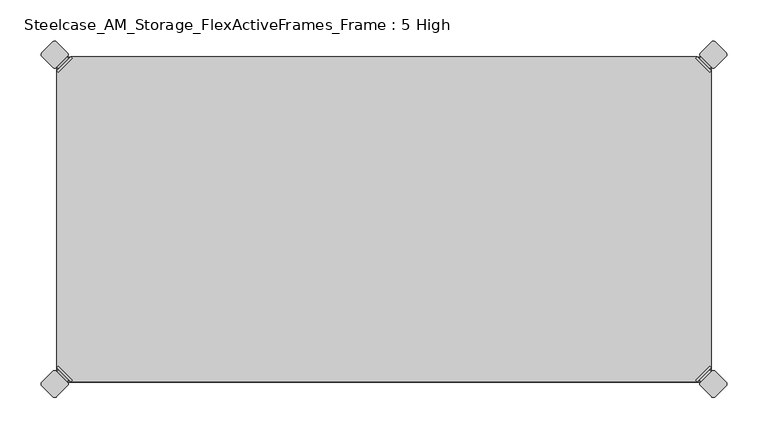
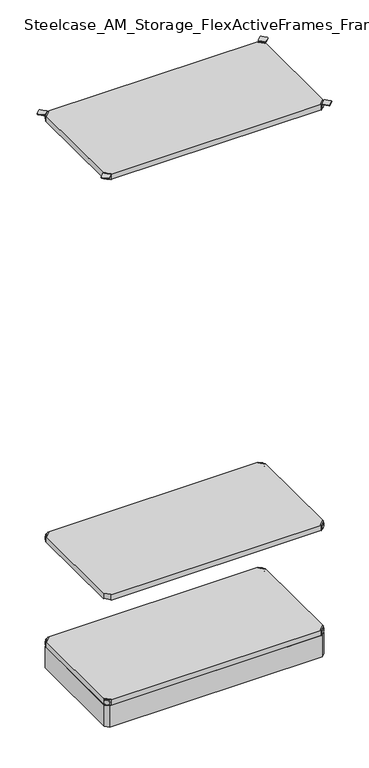
"""IFC4 building model written with IfcOpenShell, lengths in millimetres: furniture geometry, Steelcase_AM_Storage_FlexActiveFrames_Frame : 5 High."""

from ifc_helpers import new_model, si_unit, point, frame, frame_2d, origin, place, context, project, spatial, polyline, circle_curve, trimmed, segment, composite_curve, outline, extrude, source, transform, mapped, element, save
from ifc_brep_helpers import plane_surface, cylinder_surface, advanced_brep


def steelcase_am_storage_flexactiveframes_frame_5_high_b6253aff(model_context):
    return source(origin(), model_context, "Body", "SolidModel", [
        advanced_brep(
        [(797.56, -380.2870969, 520.2936), (795.7639488, -378.4910456, 520.2936), (778.5410456, -395.7139488, 520.2936), (780.3370969, -397.51, 520.2936), (780.3370969, -397.51, 498.9576), (797.56, -380.2870969, 498.9576), (795.2347277, -382.6123691, 510.1336), (782.6623691, -395.1847277, 510.1336), (769.8079478, -352.5350447, 499.9736), (752.5850447, -369.7579478, 499.9736), (778.5410456, -395.7139488, 499.9736), (795.7639488, -378.4910456, 499.9736), (769.8079478, -352.5350447, 498.9576), (752.5850447, -369.7579478, 498.9576), (784.9772487, -397.4996073, 510.1336), (797.5496073, -384.9272487, 510.1336)],
        [
            (0, 1),
            (1, 2),
            (2, 3),
            (3, 0),
            (3, 4),
            (4, 5),
            (5, 0),
            (6, 7, circle_curve(frame((788.9485484, -388.8985484, 510.1336), z_axis=(-0.7071067811865446, 0.7071067811865505, 0.0), x_axis=(0.7071067811865505, 0.7071067811865446, 0.0)), 8.89)),
            (7, 6, circle_curve(frame((788.9485484, -388.8985484, 510.1336), z_axis=(-0.7071067811865446, 0.7071067811865505, 0.0), x_axis=(0.7071067811865505, 0.7071067811865446, 0.0)), 8.89)),
            (8, 9, circle_curve(frame((761.1964963, -361.1464963, 499.9736), z_axis=(0.0, 0.0, 1.0), x_axis=(-1.0, 0.0, 0.0)), 12.1784316)),
            (9, 10),
            (10, 11),
            (11, 8),
            (12, 5),
            (4, 13),
            (13, 12, circle_curve(frame((761.1964963, -361.1464963, 498.9576), z_axis=(0.0, 0.0, -1.0), x_axis=(-1.0, 0.0, 0.0)), 12.1784316)),
            (14, 15, circle_curve(frame((791.263428, -391.213428, 510.1336), z_axis=(0.7071067811865446, -0.7071067811865505, 0.0), x_axis=(0.7071067811865505, 0.7071067811865446, 0.0)), 8.89)),
            (15, 14, circle_curve(frame((791.263428, -391.213428, 510.1336), z_axis=(0.7071067811865446, -0.7071067811865505, 0.0), x_axis=(0.7071067811865505, 0.7071067811865446, 0.0)), 8.89)),
            (14, 7),
            (6, 15),
            (1, 11),
            (10, 2),
            (8, 12),
            (13, 9),
        ],
        [
            plane_surface(frame((819.7579872, -402.485084, 520.2936), z_axis=(0.0, 0.0, 1.0000000000000002), x_axis=(-0.7071067811865436, 0.7071067811865516, 0.0))),
            plane_surface(frame((780.3370969, -397.51, 520.2936), z_axis=(0.7071067811865447, -0.7071067811865503, 0.0), x_axis=(0.0, 0.0, -1.0))),
            plane_surface(frame((749.0180647, -361.1464963, 499.9736), z_axis=(0.0, 0.0, 1.0), x_axis=(0.0, -1.0, 0.0))),
            plane_surface(frame((749.0180647, -361.1464963, 498.9576), z_axis=(0.0, 0.0, -1.0), x_axis=(0.0, 1.0, 0.0))),
            plane_surface(frame((797.5496073, -384.9272487, 510.1336), z_axis=(0.7071067811865446, -0.7071067811865505, 0.0), x_axis=(0.0, 0.0, 1.0))),
            cylinder_surface(frame((788.9485484, -388.8985484, 510.1336), z_axis=(0.7071067811865446, -0.7071067811865505, 0.0), x_axis=(0.7071067811865505, 0.7071067811865446, 0.0)), 8.89),
            plane_surface(frame((795.7639488, -378.4910456, 520.2936), z_axis=(-0.7071067811865447, 0.7071067811865503, 0.0), x_axis=(0.0, 0.0, -1.0))),
            cylinder_surface(frame((761.1964963, -361.1464963, 498.9576), z_axis=(0.0, 0.0, 1.0), x_axis=(-1.0, 0.0, 0.0)), 12.1784316),
            plane_surface(frame((797.56, -380.2870969, 520.2936), z_axis=(0.7071067811865516, 0.7071067811865436, 0.0), x_axis=(0.0, 0.0, -1.0))),
            plane_surface(frame((778.5410456, -395.7139488, 520.2936), z_axis=(-0.7071067811865513, -0.7071067811865437, 0.0), x_axis=(0.0, 0.0, -1.0))),
        ],
        [
            (0, [[1, 2, 3, 4]]),
            (1, [[-4, 5, 6, 7], [8, 9]]),
            (2, [[10, 11, 12, 13]]),
            (3, [[14, -6, 15, 16]]),
            (4, [[17, 18]]),
            (5, [[-17, 19, -8, 20]]),
            (5, [[-18, -20, -9, -19]]),
            (6, [[-2, 21, -12, 22]]),
            (7, [[-10, 23, -16, 24]]),
            (8, [[-1, -7, -14, -23, -13, -21]]),
            (9, [[-3, -22, -11, -24, -15, -5]]),
        ],
    ),
        advanced_brep(
        [(797.56, -19.7629031, 520.2936), (780.3370969, -2.54, 520.2936), (778.5410456, -4.3360512, 520.2936), (795.7639488, -21.5589544, 520.2936), (797.56, -19.7629031, 498.9576), (780.3370969, -2.54, 498.9576), (795.2347277, -17.4376309, 510.1336), (782.6623691, -4.8652723, 510.1336), (769.8079478, -47.5149553, 499.9736), (795.7639488, -21.5589544, 499.9736), (778.5410456, -4.3360512, 499.9736), (752.5850447, -30.2920522, 499.9736), (769.8079478, -47.5149553, 498.9576), (752.5850447, -30.2920522, 498.9576), (784.9772487, -2.5503927, 510.1336), (797.5496073, -15.1227513, 510.1336)],
        [
            (0, 1),
            (1, 2),
            (2, 3),
            (3, 0),
            (0, 4),
            (4, 5),
            (5, 1),
            (6, 7, circle_curve(frame((788.9485484, -11.1514516, 510.1336), z_axis=(-0.7071067811865469, -0.7071067811865481, 0.0), x_axis=(0.7071067811865481, -0.7071067811865469, 0.0)), 8.89)),
            (7, 6, circle_curve(frame((788.9485484, -11.1514516, 510.1336), z_axis=(-0.7071067811865469, -0.7071067811865481, 0.0), x_axis=(0.7071067811865481, -0.7071067811865469, 0.0)), 8.89)),
            (8, 9),
            (9, 10),
            (10, 11),
            (11, 8, circle_curve(frame((761.1964963, -38.9035037, 499.9736), z_axis=(0.0, 0.0, 1.0), x_axis=(-1.0, 0.0, 0.0)), 12.1784316)),
            (12, 13, circle_curve(frame((761.1964963, -38.9035037, 498.9576), z_axis=(0.0, 0.0, -1.0), x_axis=(-1.0, 0.0, 0.0)), 12.1784316)),
            (13, 5),
            (4, 12),
            (14, 15, circle_curve(frame((791.263428, -8.836572, 510.1336), z_axis=(0.7071067811865469, 0.7071067811865481, 0.0), x_axis=(0.7071067811865481, -0.7071067811865469, 0.0)), 8.89)),
            (15, 14, circle_curve(frame((791.263428, -8.836572, 510.1336), z_axis=(0.7071067811865469, 0.7071067811865481, 0.0), x_axis=(0.7071067811865481, -0.7071067811865469, 0.0)), 8.89)),
            (15, 6),
            (7, 14),
            (2, 10),
            (9, 3),
            (11, 13),
            (12, 8),
        ],
        [
            plane_surface(frame((819.7579872, 2.435084, 520.2936), z_axis=(0.0, 0.0, 1.0000000000000002), x_axis=(-0.7071067811865459, -0.7071067811865492, 0.0))),
            plane_surface(frame((780.3370969, -2.54, 520.2936), z_axis=(0.707106781186547, 0.707106781186548, 0.0), x_axis=(0.0, 0.0, -1.0))),
            plane_surface(frame((749.0180647, -38.9035037, 499.9736), z_axis=(0.0, 0.0, 1.0), x_axis=(0.0, 1.0, 0.0))),
            plane_surface(frame((749.0180647, -38.9035037, 498.9576), z_axis=(0.0, 0.0, -1.0), x_axis=(0.0, -1.0, 0.0))),
            plane_surface(frame((797.5496073, -15.1227513, 510.1336), z_axis=(0.7071067811865469, 0.7071067811865481, 0.0), x_axis=(0.0, 0.0, 1.0))),
            cylinder_surface(frame((788.9485484, -11.1514516, 510.1336), z_axis=(0.7071067811865469, 0.7071067811865481, 0.0), x_axis=(0.7071067811865481, -0.7071067811865469, 0.0)), 8.89),
            plane_surface(frame((795.7639488, -21.5589544, 520.2936), z_axis=(-0.707106781186547, -0.707106781186548, 0.0), x_axis=(0.0, 0.0, -1.0))),
            cylinder_surface(frame((761.1964963, -38.9035037, 498.9576), z_axis=(0.0, 0.0, 1.0), x_axis=(-1.0, 0.0, 0.0)), 12.1784316),
            plane_surface(frame((797.56, -19.7629031, 520.2936), z_axis=(0.7071067811865492, -0.7071067811865459, 0.0), x_axis=(0.0, 0.0, -1.0))),
            plane_surface(frame((778.5410456, -4.3360512, 520.2936), z_axis=(-0.707106781186549, 0.707106781186546, 0.0), x_axis=(0.0, 0.0, -1.0))),
        ],
        [
            (0, [[1, 2, 3, 4]]),
            (1, [[5, 6, 7, -1], [8, 9]]),
            (2, [[10, 11, 12, 13]]),
            (3, [[14, 15, -6, 16]]),
            (4, [[17, 18]]),
            (5, [[19, -9, 20, -18]]),
            (5, [[-20, -8, -19, -17]]),
            (6, [[21, -11, 22, -3]]),
            (7, [[23, -14, 24, -13]]),
            (8, [[-22, -10, -24, -16, -5, -4]]),
            (9, [[-7, -15, -23, -12, -21, -2]]),
        ],
    ),
        advanced_brep(
        [(2.54, -19.7629031, 520.2936), (4.3360512, -21.5589544, 520.2936), (21.5589544, -4.3360512, 520.2936), (19.7629031, -2.54, 520.2936), (19.7629031, -2.54, 498.9576), (2.54, -19.7629031, 498.9576), (4.8652723, -17.4376309, 510.1336), (17.4376309, -4.8652723, 510.1336), (30.2920522, -47.5149553, 499.9736), (47.5149553, -30.2920522, 499.9736), (21.5589544, -4.3360512, 499.9736), (4.3360512, -21.5589544, 499.9736), (30.2920522, -47.5149553, 498.9576), (47.5149553, -30.2920522, 498.9576), (15.1227513, -2.5503927, 510.1336), (2.5503927, -15.1227513, 510.1336)],
        [
            (0, 1),
            (1, 2),
            (2, 3),
            (3, 0),
            (3, 4),
            (4, 5),
            (5, 0),
            (6, 7, circle_curve(frame((11.1514516, -11.1514516, 510.1336), z_axis=(0.7071067811865469, -0.7071067811865481, 0.0), x_axis=(-0.7071067811865481, -0.7071067811865469, 0.0)), 8.89)),
            (7, 6, circle_curve(frame((11.1514516, -11.1514516, 510.1336), z_axis=(0.7071067811865469, -0.7071067811865481, 0.0), x_axis=(-0.7071067811865481, -0.7071067811865469, 0.0)), 8.89)),
            (8, 9, circle_curve(frame((38.9035037, -38.9035037, 499.9736), z_axis=(0.0, 0.0, 1.0), x_axis=(1.0, 0.0, 0.0)), 12.1784316)),
            (9, 10),
            (10, 11),
            (11, 8),
            (12, 5),
            (4, 13),
            (13, 12, circle_curve(frame((38.9035037, -38.9035037, 498.9576), z_axis=(0.0, 0.0, -1.0), x_axis=(1.0, 0.0, 0.0)), 12.1784316)),
            (14, 15, circle_curve(frame((8.836572, -8.836572, 510.1336), z_axis=(-0.7071067811865469, 0.7071067811865481, 0.0), x_axis=(-0.7071067811865481, -0.7071067811865469, 0.0)), 8.89)),
            (15, 14, circle_curve(frame((8.836572, -8.836572, 510.1336), z_axis=(-0.7071067811865469, 0.7071067811865481, 0.0), x_axis=(-0.7071067811865481, -0.7071067811865469, 0.0)), 8.89)),
            (14, 7),
            (6, 15),
            (1, 11),
            (10, 2),
            (8, 12),
            (13, 9),
        ],
        [
            plane_surface(frame((-19.6579872, 2.435084, 520.2936), z_axis=(0.0, 0.0, 1.0000000000000002), x_axis=(0.7071067811865459, -0.7071067811865492, 0.0))),
            plane_surface(frame((19.7629031, -2.54, 520.2936), z_axis=(-0.707106781186547, 0.707106781186548, 0.0), x_axis=(0.0, 0.0, -1.0))),
            plane_surface(frame((51.0819353, -38.9035037, 499.9736), z_axis=(0.0, 0.0, 1.0), x_axis=(0.0, 1.0, 0.0))),
            plane_surface(frame((51.0819353, -38.9035037, 498.9576), z_axis=(0.0, 0.0, -1.0), x_axis=(0.0, -1.0, 0.0))),
            plane_surface(frame((2.5503927, -15.1227513, 510.1336), z_axis=(-0.7071067811865469, 0.7071067811865481, 0.0), x_axis=(0.0, 0.0, 1.0))),
            cylinder_surface(frame((11.1514516, -11.1514516, 510.1336), z_axis=(-0.7071067811865469, 0.7071067811865481, 0.0), x_axis=(-0.7071067811865481, -0.7071067811865469, 0.0)), 8.89),
            plane_surface(frame((4.3360512, -21.5589544, 520.2936), z_axis=(0.707106781186547, -0.707106781186548, 0.0), x_axis=(0.0, 0.0, -1.0))),
            cylinder_surface(frame((38.9035037, -38.9035037, 498.9576), z_axis=(0.0, 0.0, 1.0), x_axis=(1.0, 0.0, 0.0)), 12.1784316),
            plane_surface(frame((2.54, -19.7629031, 520.2936), z_axis=(-0.7071067811865492, -0.7071067811865459, 0.0), x_axis=(0.0, 0.0, -1.0))),
            plane_surface(frame((21.5589544, -4.3360512, 520.2936), z_axis=(0.707106781186549, 0.707106781186546, 0.0), x_axis=(0.0, 0.0, -1.0))),
        ],
        [
            (0, [[1, 2, 3, 4]]),
            (1, [[-4, 5, 6, 7], [8, 9]]),
            (2, [[10, 11, 12, 13]]),
            (3, [[14, -6, 15, 16]]),
            (4, [[17, 18]]),
            (5, [[-17, 19, -8, 20]]),
            (5, [[-18, -20, -9, -19]]),
            (6, [[-2, 21, -12, 22]]),
            (7, [[-10, 23, -16, 24]]),
            (8, [[-1, -7, -14, -23, -13, -21]]),
            (9, [[-3, -22, -11, -24, -15, -5]]),
        ],
    ),
        extrude(outline(polyline([(19.7629031, -2.54), (780.3370969, -2.54), (778.5410456, -4.3360512), (795.7639488, -21.5589544), (797.56, -19.7629031), (797.56, -380.2870969), (795.7639488, -378.4910456), (778.5410456, -395.7139488), (780.3370969, -397.51), (19.7629031, -397.51), (21.5589544, -395.7139488), (4.3360512, -378.4910456), (2.54, -380.2870969), (2.54, -19.7629031), (4.3360512, -21.5589544), (21.5589544, -4.3360512), (19.7629031, -2.54)])), frame((0.0, 0.0, 499.9736), z_axis=(0.0, 0.0, 1.0), x_axis=(1.0, 0.0, 0.0)), (0.0, 0.0, 1.0), 20.32),
        advanced_brep(
        [(2.54, -380.2870969, 2127.25), (19.7629031, -397.51, 2127.25), (21.5589544, -395.7139488, 2127.25), (4.3360512, -378.4910456, 2127.25), (2.54, -380.2870969, 2105.914), (19.7629031, -397.51, 2105.914), (4.8652723, -382.6123691, 2117.09), (17.4376309, -395.1847277, 2117.09), (30.2920522, -352.5350447, 2106.93), (4.3360512, -378.4910456, 2106.93), (21.5589544, -395.7139488, 2106.93), (47.5149553, -369.7579478, 2106.93), (30.2920522, -352.5350447, 2105.914), (47.5149553, -369.7579478, 2105.914), (15.1227513, -397.4996073, 2117.09), (2.5503927, -384.9272487, 2117.09)],
        [
            (0, 1),
            (1, 2),
            (2, 3),
            (3, 0),
            (0, 4),
            (4, 5),
            (5, 1),
            (6, 7, circle_curve(frame((11.1514516, -388.8985484, 2117.09), z_axis=(0.7071067811865446, 0.7071067811865505, 0.0), x_axis=(-0.7071067811865505, 0.7071067811865446, 0.0)), 8.89)),
            (7, 6, circle_curve(frame((11.1514516, -388.8985484, 2117.09), z_axis=(0.7071067811865446, 0.7071067811865505, 0.0), x_axis=(-0.7071067811865505, 0.7071067811865446, 0.0)), 8.89)),
            (8, 9),
            (9, 10),
            (10, 11),
            (11, 8, circle_curve(frame((38.9035037, -361.1464963, 2106.93), z_axis=(0.0, 0.0, 1.0), x_axis=(1.0, 0.0, 0.0)), 12.1784316)),
            (12, 13, circle_curve(frame((38.9035037, -361.1464963, 2105.914), z_axis=(0.0, 0.0, -1.0), x_axis=(1.0, 0.0, 0.0)), 12.1784316)),
            (13, 5),
            (4, 12),
            (14, 15, circle_curve(frame((8.836572, -391.213428, 2117.09), z_axis=(-0.7071067811865446, -0.7071067811865505, 0.0), x_axis=(-0.7071067811865505, 0.7071067811865446, 0.0)), 8.89)),
            (15, 14, circle_curve(frame((8.836572, -391.213428, 2117.09), z_axis=(-0.7071067811865446, -0.7071067811865505, 0.0), x_axis=(-0.7071067811865505, 0.7071067811865446, 0.0)), 8.89)),
            (15, 6),
            (7, 14),
            (2, 10),
            (9, 3),
            (11, 13),
            (12, 8),
        ],
        [
            plane_surface(frame((-19.6579872, -402.485084, 2127.25), z_axis=(0.0, 0.0, 1.0000000000000002), x_axis=(0.7071067811865436, 0.7071067811865516, 0.0))),
            plane_surface(frame((19.7629031, -397.51, 2127.25), z_axis=(-0.7071067811865447, -0.7071067811865503, 0.0), x_axis=(0.0, 0.0, -1.0))),
            plane_surface(frame((51.0819353, -361.1464963, 2106.93), z_axis=(0.0, 0.0, 1.0), x_axis=(0.0, -1.0, 0.0))),
            plane_surface(frame((51.0819353, -361.1464963, 2105.914), z_axis=(0.0, 0.0, -1.0), x_axis=(0.0, 1.0, 0.0))),
            plane_surface(frame((2.5503927, -384.9272487, 2117.09), z_axis=(-0.7071067811865446, -0.7071067811865505, 0.0), x_axis=(0.0, 0.0, 1.0))),
            cylinder_surface(frame((11.1514516, -388.8985484, 2117.09), z_axis=(-0.7071067811865446, -0.7071067811865505, 0.0), x_axis=(-0.7071067811865505, 0.7071067811865446, 0.0)), 8.89),
            plane_surface(frame((4.3360512, -378.4910456, 2127.25), z_axis=(0.7071067811865447, 0.7071067811865503, 0.0), x_axis=(0.0, 0.0, -1.0))),
            cylinder_surface(frame((38.9035037, -361.1464963, 2105.914), z_axis=(0.0, 0.0, 1.0), x_axis=(1.0, 0.0, 0.0)), 12.1784316),
            plane_surface(frame((2.54, -380.2870969, 2127.25), z_axis=(-0.7071067811865516, 0.7071067811865436, 0.0), x_axis=(0.0, 0.0, -1.0))),
            plane_surface(frame((21.5589544, -395.7139488, 2127.25), z_axis=(0.7071067811865513, -0.7071067811865437, 0.0), x_axis=(0.0, 0.0, -1.0))),
        ],
        [
            (0, [[1, 2, 3, 4]]),
            (1, [[5, 6, 7, -1], [8, 9]]),
            (2, [[10, 11, 12, 13]]),
            (3, [[14, 15, -6, 16]]),
            (4, [[17, 18]]),
            (5, [[19, -9, 20, -18]]),
            (5, [[-20, -8, -19, -17]]),
            (6, [[21, -11, 22, -3]]),
            (7, [[23, -14, 24, -13]]),
            (8, [[-22, -10, -24, -16, -5, -4]]),
            (9, [[-7, -15, -23, -12, -21, -2]]),
        ],
    ),
        advanced_brep(
        [(797.56, -380.2870969, 2127.25), (795.7639488, -378.4910456, 2127.25), (778.5410456, -395.7139488, 2127.25), (780.3370969, -397.51, 2127.25), (780.3370969, -397.51, 2105.914), (797.56, -380.2870969, 2105.914), (795.2347277, -382.6123691, 2117.09), (782.6623691, -395.1847277, 2117.09), (769.8079478, -352.5350447, 2106.93), (752.5850447, -369.7579478, 2106.93), (778.5410456, -395.7139488, 2106.93), (795.7639488, -378.4910456, 2106.93), (769.8079478, -352.5350447, 2105.914), (752.5850447, -369.7579478, 2105.914), (784.9772487, -397.4996073, 2117.09), (797.5496073, -384.9272487, 2117.09)],
        [
            (0, 1),
            (1, 2),
            (2, 3),
            (3, 0),
            (3, 4),
            (4, 5),
            (5, 0),
            (6, 7, circle_curve(frame((788.9485484, -388.8985484, 2117.09), z_axis=(-0.7071067811865446, 0.7071067811865505, 0.0), x_axis=(0.7071067811865505, 0.7071067811865446, 0.0)), 8.89)),
            (7, 6, circle_curve(frame((788.9485484, -388.8985484, 2117.09), z_axis=(-0.7071067811865446, 0.7071067811865505, 0.0), x_axis=(0.7071067811865505, 0.7071067811865446, 0.0)), 8.89)),
            (8, 9, circle_curve(frame((761.1964963, -361.1464963, 2106.93), z_axis=(0.0, 0.0, 1.0), x_axis=(-1.0, 0.0, 0.0)), 12.1784316)),
            (9, 10),
            (10, 11),
            (11, 8),
            (12, 5),
            (4, 13),
            (13, 12, circle_curve(frame((761.1964963, -361.1464963, 2105.914), z_axis=(0.0, 0.0, -1.0), x_axis=(-1.0, 0.0, 0.0)), 12.1784316)),
            (14, 15, circle_curve(frame((791.263428, -391.213428, 2117.09), z_axis=(0.7071067811865446, -0.7071067811865505, 0.0), x_axis=(0.7071067811865505, 0.7071067811865446, 0.0)), 8.89)),
            (15, 14, circle_curve(frame((791.263428, -391.213428, 2117.09), z_axis=(0.7071067811865446, -0.7071067811865505, 0.0), x_axis=(0.7071067811865505, 0.7071067811865446, 0.0)), 8.89)),
            (14, 7),
            (6, 15),
            (1, 11),
            (10, 2),
            (8, 12),
            (13, 9),
        ],
        [
            plane_surface(frame((819.7579872, -402.485084, 2127.25), z_axis=(0.0, 0.0, 1.0000000000000002), x_axis=(-0.7071067811865436, 0.7071067811865516, 0.0))),
            plane_surface(frame((780.3370969, -397.51, 2127.25), z_axis=(0.7071067811865447, -0.7071067811865503, 0.0), x_axis=(0.0, 0.0, -1.0))),
            plane_surface(frame((749.0180647, -361.1464963, 2106.93), z_axis=(0.0, 0.0, 1.0), x_axis=(0.0, -1.0, 0.0))),
            plane_surface(frame((749.0180647, -361.1464963, 2105.914), z_axis=(0.0, 0.0, -1.0), x_axis=(0.0, 1.0, 0.0))),
            plane_surface(frame((797.5496073, -384.9272487, 2117.09), z_axis=(0.7071067811865446, -0.7071067811865505, 0.0), x_axis=(0.0, 0.0, 1.0))),
            cylinder_surface(frame((788.9485484, -388.8985484, 2117.09), z_axis=(0.7071067811865446, -0.7071067811865505, 0.0), x_axis=(0.7071067811865505, 0.7071067811865446, 0.0)), 8.89),
            plane_surface(frame((795.7639488, -378.4910456, 2127.25), z_axis=(-0.7071067811865447, 0.7071067811865503, 0.0), x_axis=(0.0, 0.0, -1.0))),
            cylinder_surface(frame((761.1964963, -361.1464963, 2105.914), z_axis=(0.0, 0.0, 1.0), x_axis=(-1.0, 0.0, 0.0)), 12.1784316),
            plane_surface(frame((797.56, -380.2870969, 2127.25), z_axis=(0.7071067811865516, 0.7071067811865436, 0.0), x_axis=(0.0, 0.0, -1.0))),
            plane_surface(frame((778.5410456, -395.7139488, 2127.25), z_axis=(-0.7071067811865513, -0.7071067811865437, 0.0), x_axis=(0.0, 0.0, -1.0))),
        ],
        [
            (0, [[1, 2, 3, 4]]),
            (1, [[-4, 5, 6, 7], [8, 9]]),
            (2, [[10, 11, 12, 13]]),
            (3, [[14, -6, 15, 16]]),
            (4, [[17, 18]]),
            (5, [[-17, 19, -8, 20]]),
            (5, [[-18, -20, -9, -19]]),
            (6, [[-2, 21, -12, 22]]),
            (7, [[-10, 23, -16, 24]]),
            (8, [[-1, -7, -14, -23, -13, -21]]),
            (9, [[-3, -22, -11, -24, -15, -5]]),
        ],
    ),
        advanced_brep(
        [(797.56, -19.7629031, 2127.25), (780.3370969, -2.54, 2127.25), (778.5410456, -4.3360512, 2127.25), (795.7639488, -21.5589544, 2127.25), (797.56, -19.7629031, 2105.914), (780.3370969, -2.54, 2105.914), (795.2347277, -17.4376309, 2117.09), (782.6623691, -4.8652723, 2117.09), (769.8079478, -47.5149553, 2106.93), (795.7639488, -21.5589544, 2106.93), (778.5410456, -4.3360512, 2106.93), (752.5850447, -30.2920522, 2106.93), (769.8079478, -47.5149553, 2105.914), (752.5850447, -30.2920522, 2105.914), (784.9772487, -2.5503927, 2117.09), (797.5496073, -15.1227513, 2117.09)],
        [
            (0, 1),
            (1, 2),
            (2, 3),
            (3, 0),
            (0, 4),
            (4, 5),
            (5, 1),
            (6, 7, circle_curve(frame((788.9485484, -11.1514516, 2117.09), z_axis=(-0.7071067811865469, -0.7071067811865481, 0.0), x_axis=(0.7071067811865481, -0.7071067811865469, 0.0)), 8.89)),
            (7, 6, circle_curve(frame((788.9485484, -11.1514516, 2117.09), z_axis=(-0.7071067811865469, -0.7071067811865481, 0.0), x_axis=(0.7071067811865481, -0.7071067811865469, 0.0)), 8.89)),
            (8, 9),
            (9, 10),
            (10, 11),
            (11, 8, circle_curve(frame((761.1964963, -38.9035037, 2106.93), z_axis=(0.0, 0.0, 1.0), x_axis=(-1.0, 0.0, 0.0)), 12.1784316)),
            (12, 13, circle_curve(frame((761.1964963, -38.9035037, 2105.914), z_axis=(0.0, 0.0, -1.0), x_axis=(-1.0, 0.0, 0.0)), 12.1784316)),
            (13, 5),
            (4, 12),
            (14, 15, circle_curve(frame((791.263428, -8.836572, 2117.09), z_axis=(0.7071067811865469, 0.7071067811865481, 0.0), x_axis=(0.7071067811865481, -0.7071067811865469, 0.0)), 8.89)),
            (15, 14, circle_curve(frame((791.263428, -8.836572, 2117.09), z_axis=(0.7071067811865469, 0.7071067811865481, 0.0), x_axis=(0.7071067811865481, -0.7071067811865469, 0.0)), 8.89)),
            (15, 6),
            (7, 14),
            (2, 10),
            (9, 3),
            (11, 13),
            (12, 8),
        ],
        [
            plane_surface(frame((819.7579872, 2.435084, 2127.25), z_axis=(0.0, 0.0, 1.0000000000000002), x_axis=(-0.7071067811865459, -0.7071067811865492, 0.0))),
            plane_surface(frame((780.3370969, -2.54, 2127.25), z_axis=(0.707106781186547, 0.707106781186548, 0.0), x_axis=(0.0, 0.0, -1.0))),
            plane_surface(frame((749.0180647, -38.9035037, 2106.93), z_axis=(0.0, 0.0, 1.0), x_axis=(0.0, 1.0, 0.0))),
            plane_surface(frame((749.0180647, -38.9035037, 2105.914), z_axis=(0.0, 0.0, -1.0), x_axis=(0.0, -1.0, 0.0))),
            plane_surface(frame((797.5496073, -15.1227513, 2117.09), z_axis=(0.7071067811865469, 0.7071067811865481, 0.0), x_axis=(0.0, 0.0, 1.0))),
            cylinder_surface(frame((788.9485484, -11.1514516, 2117.09), z_axis=(0.7071067811865469, 0.7071067811865481, 0.0), x_axis=(0.7071067811865481, -0.7071067811865469, 0.0)), 8.89),
            plane_surface(frame((795.7639488, -21.5589544, 2127.25), z_axis=(-0.707106781186547, -0.707106781186548, 0.0), x_axis=(0.0, 0.0, -1.0))),
            cylinder_surface(frame((761.1964963, -38.9035037, 2105.914), z_axis=(0.0, 0.0, 1.0), x_axis=(-1.0, 0.0, 0.0)), 12.1784316),
            plane_surface(frame((797.56, -19.7629031, 2127.25), z_axis=(0.7071067811865492, -0.7071067811865459, 0.0), x_axis=(0.0, 0.0, -1.0))),
            plane_surface(frame((778.5410456, -4.3360512, 2127.25), z_axis=(-0.707106781186549, 0.707106781186546, 0.0), x_axis=(0.0, 0.0, -1.0))),
        ],
        [
            (0, [[1, 2, 3, 4]]),
            (1, [[5, 6, 7, -1], [8, 9]]),
            (2, [[10, 11, 12, 13]]),
            (3, [[14, 15, -6, 16]]),
            (4, [[17, 18]]),
            (5, [[19, -9, 20, -18]]),
            (5, [[-20, -8, -19, -17]]),
            (6, [[21, -11, 22, -3]]),
            (7, [[23, -14, 24, -13]]),
            (8, [[-22, -10, -24, -16, -5, -4]]),
            (9, [[-7, -15, -23, -12, -21, -2]]),
        ],
    ),
        advanced_brep(
        [(2.54, -19.7629031, 2127.25), (4.3360512, -21.5589544, 2127.25), (21.5589544, -4.3360512, 2127.25), (19.7629031, -2.54, 2127.25), (19.7629031, -2.54, 2105.914), (2.54, -19.7629031, 2105.914), (4.8652723, -17.4376309, 2117.09), (17.4376309, -4.8652723, 2117.09), (30.2920522, -47.5149553, 2106.93), (47.5149553, -30.2920522, 2106.93), (21.5589544, -4.3360512, 2106.93), (4.3360512, -21.5589544, 2106.93), (30.2920522, -47.5149553, 2105.914), (47.5149553, -30.2920522, 2105.914), (15.1227513, -2.5503927, 2117.09), (2.5503927, -15.1227513, 2117.09)],
        [
            (0, 1),
            (1, 2),
            (2, 3),
            (3, 0),
            (3, 4),
            (4, 5),
            (5, 0),
            (6, 7, circle_curve(frame((11.1514516, -11.1514516, 2117.09), z_axis=(0.7071067811865469, -0.7071067811865481, 0.0), x_axis=(-0.7071067811865481, -0.7071067811865469, 0.0)), 8.89)),
            (7, 6, circle_curve(frame((11.1514516, -11.1514516, 2117.09), z_axis=(0.7071067811865469, -0.7071067811865481, 0.0), x_axis=(-0.7071067811865481, -0.7071067811865469, 0.0)), 8.89)),
            (8, 9, circle_curve(frame((38.9035037, -38.9035037, 2106.93), z_axis=(0.0, 0.0, 1.0), x_axis=(1.0, 0.0, 0.0)), 12.1784316)),
            (9, 10),
            (10, 11),
            (11, 8),
            (12, 5),
            (4, 13),
            (13, 12, circle_curve(frame((38.9035037, -38.9035037, 2105.914), z_axis=(0.0, 0.0, -1.0), x_axis=(1.0, 0.0, 0.0)), 12.1784316)),
            (14, 15, circle_curve(frame((8.836572, -8.836572, 2117.09), z_axis=(-0.7071067811865469, 0.7071067811865481, 0.0), x_axis=(-0.7071067811865481, -0.7071067811865469, 0.0)), 8.89)),
            (15, 14, circle_curve(frame((8.836572, -8.836572, 2117.09), z_axis=(-0.7071067811865469, 0.7071067811865481, 0.0), x_axis=(-0.7071067811865481, -0.7071067811865469, 0.0)), 8.89)),
            (14, 7),
            (6, 15),
            (1, 11),
            (10, 2),
            (8, 12),
            (13, 9),
        ],
        [
            plane_surface(frame((-19.6579872, 2.435084, 2127.25), z_axis=(0.0, 0.0, 1.0000000000000002), x_axis=(0.7071067811865459, -0.7071067811865492, 0.0))),
            plane_surface(frame((19.7629031, -2.54, 2127.25), z_axis=(-0.707106781186547, 0.707106781186548, 0.0), x_axis=(0.0, 0.0, -1.0))),
            plane_surface(frame((51.0819353, -38.9035037, 2106.93), z_axis=(0.0, 0.0, 1.0), x_axis=(0.0, 1.0, 0.0))),
            plane_surface(frame((51.0819353, -38.9035037, 2105.914), z_axis=(0.0, 0.0, -1.0), x_axis=(0.0, -1.0, 0.0))),
            plane_surface(frame((2.5503927, -15.1227513, 2117.09), z_axis=(-0.7071067811865469, 0.7071067811865481, 0.0), x_axis=(0.0, 0.0, 1.0))),
            cylinder_surface(frame((11.1514516, -11.1514516, 2117.09), z_axis=(-0.7071067811865469, 0.7071067811865481, 0.0), x_axis=(-0.7071067811865481, -0.7071067811865469, 0.0)), 8.89),
            plane_surface(frame((4.3360512, -21.5589544, 2127.25), z_axis=(0.707106781186547, -0.707106781186548, 0.0), x_axis=(0.0, 0.0, -1.0))),
            cylinder_surface(frame((38.9035037, -38.9035037, 2105.914), z_axis=(0.0, 0.0, 1.0), x_axis=(1.0, 0.0, 0.0)), 12.1784316),
            plane_surface(frame((2.54, -19.7629031, 2127.25), z_axis=(-0.7071067811865492, -0.7071067811865459, 0.0), x_axis=(0.0, 0.0, -1.0))),
            plane_surface(frame((21.5589544, -4.3360512, 2127.25), z_axis=(0.707106781186549, 0.707106781186546, 0.0), x_axis=(0.0, 0.0, -1.0))),
        ],
        [
            (0, [[1, 2, 3, 4]]),
            (1, [[-4, 5, 6, 7], [8, 9]]),
            (2, [[10, 11, 12, 13]]),
            (3, [[14, -6, 15, 16]]),
            (4, [[17, 18]]),
            (5, [[-17, 19, -8, 20]]),
            (5, [[-18, -20, -9, -19]]),
            (6, [[-2, 21, -12, 22]]),
            (7, [[-10, 23, -16, 24]]),
            (8, [[-1, -7, -14, -23, -13, -21]]),
            (9, [[-3, -22, -11, -24, -15, -5]]),
        ],
    ),
        extrude(outline(polyline([(19.7629031, -2.54), (780.3370969, -2.54), (778.5410456, -4.3360512), (795.7639488, -21.5589544), (797.56, -19.7629031), (797.56, -380.2870969), (795.7639488, -378.4910456), (778.5410456, -395.7139488), (780.3370969, -397.51), (19.7629031, -397.51), (21.5589544, -395.7139488), (4.3360512, -378.4910456), (2.54, -380.2870969), (2.54, -19.7629031), (4.3360512, -21.5589544), (21.5589544, -4.3360512), (19.7629031, -2.54)])), frame((0.0, 0.0, 2106.93), z_axis=(0.0, 0.0, 1.0), x_axis=(1.0, 0.0, 0.0)), (0.0, 0.0, 1.0), 20.32),
        advanced_brep(
        [(2.54, -380.2870969, 118.9736), (19.7629031, -397.51, 118.9736), (21.5589544, -395.7139488, 118.9736), (4.3360512, -378.4910456, 118.9736), (2.54, -380.2870969, 97.6376), (19.7629031, -397.51, 97.6376), (4.8652723, -382.6123691, 108.8136), (17.4376309, -395.1847277, 108.8136), (30.2920522, -352.5350447, 98.6536), (4.3360512, -378.4910456, 98.6536), (21.5589544, -395.7139488, 98.6536), (47.5149553, -369.7579478, 98.6536), (30.2920522, -352.5350447, 97.6376), (47.5149553, -369.7579478, 97.6376), (15.1227513, -397.4996073, 108.8136), (2.5503927, -384.9272487, 108.8136)],
        [
            (0, 1),
            (1, 2),
            (2, 3),
            (3, 0),
            (0, 4),
            (4, 5),
            (5, 1),
            (6, 7, circle_curve(frame((11.1514516, -388.8985484, 108.8136), z_axis=(0.7071067811865446, 0.7071067811865505, 0.0), x_axis=(-0.7071067811865505, 0.7071067811865446, 0.0)), 8.89)),
            (7, 6, circle_curve(frame((11.1514516, -388.8985484, 108.8136), z_axis=(0.7071067811865446, 0.7071067811865505, 0.0), x_axis=(-0.7071067811865505, 0.7071067811865446, 0.0)), 8.89)),
            (8, 9),
            (9, 10),
            (10, 11),
            (11, 8, circle_curve(frame((38.9035037, -361.1464963, 98.6536), z_axis=(0.0, 0.0, 1.0), x_axis=(1.0, 0.0, 0.0)), 12.1784316)),
            (12, 13, circle_curve(frame((38.9035037, -361.1464963, 97.6376), z_axis=(0.0, 0.0, -1.0), x_axis=(1.0, 0.0, 0.0)), 12.1784316)),
            (13, 5),
            (4, 12),
            (14, 15, circle_curve(frame((8.836572, -391.213428, 108.8136), z_axis=(-0.7071067811865446, -0.7071067811865505, 0.0), x_axis=(-0.7071067811865505, 0.7071067811865446, 0.0)), 8.89)),
            (15, 14, circle_curve(frame((8.836572, -391.213428, 108.8136), z_axis=(-0.7071067811865446, -0.7071067811865505, 0.0), x_axis=(-0.7071067811865505, 0.7071067811865446, 0.0)), 8.89)),
            (15, 6),
            (7, 14),
            (2, 10),
            (9, 3),
            (11, 13),
            (12, 8),
        ],
        [
            plane_surface(frame((-19.6579872, -402.485084, 118.9736), z_axis=(0.0, 0.0, 1.0000000000000002), x_axis=(0.7071067811865436, 0.7071067811865516, 0.0))),
            plane_surface(frame((19.7629031, -397.51, 118.9736), z_axis=(-0.7071067811865447, -0.7071067811865503, 0.0), x_axis=(0.0, 0.0, -1.0))),
            plane_surface(frame((51.0819353, -361.1464963, 98.6536), z_axis=(0.0, 0.0, 1.0), x_axis=(0.0, -1.0, 0.0))),
            plane_surface(frame((51.0819353, -361.1464963, 97.6376), z_axis=(0.0, 0.0, -1.0), x_axis=(0.0, 1.0, 0.0))),
            plane_surface(frame((2.5503927, -384.9272487, 108.8136), z_axis=(-0.7071067811865446, -0.7071067811865505, 0.0), x_axis=(0.0, 0.0, 1.0))),
            cylinder_surface(frame((11.1514516, -388.8985484, 108.8136), z_axis=(-0.7071067811865446, -0.7071067811865505, 0.0), x_axis=(-0.7071067811865505, 0.7071067811865446, 0.0)), 8.89),
            plane_surface(frame((4.3360512, -378.4910456, 118.9736), z_axis=(0.7071067811865447, 0.7071067811865503, 0.0), x_axis=(0.0, 0.0, -1.0))),
            cylinder_surface(frame((38.9035037, -361.1464963, 97.6376), z_axis=(0.0, 0.0, 1.0), x_axis=(1.0, 0.0, 0.0)), 12.1784316),
            plane_surface(frame((2.54, -380.2870969, 118.9736), z_axis=(-0.7071067811865516, 0.7071067811865436, 0.0), x_axis=(0.0, 0.0, -1.0))),
            plane_surface(frame((21.5589544, -395.7139488, 118.9736), z_axis=(0.7071067811865513, -0.7071067811865437, 0.0), x_axis=(0.0, 0.0, -1.0))),
        ],
        [
            (0, [[1, 2, 3, 4]]),
            (1, [[5, 6, 7, -1], [8, 9]]),
            (2, [[10, 11, 12, 13]]),
            (3, [[14, 15, -6, 16]]),
            (4, [[17, 18]]),
            (5, [[19, -9, 20, -18]]),
            (5, [[-20, -8, -19, -17]]),
            (6, [[21, -11, 22, -3]]),
            (7, [[23, -14, 24, -13]]),
            (8, [[-22, -10, -24, -16, -5, -4]]),
            (9, [[-7, -15, -23, -12, -21, -2]]),
        ],
    ),
        advanced_brep(
        [(797.56, -380.2870969, 118.9736), (795.7639488, -378.4910456, 118.9736), (778.5410456, -395.7139488, 118.9736), (780.3370969, -397.51, 118.9736), (780.3370969, -397.51, 97.6376), (797.56, -380.2870969, 97.6376), (795.2347277, -382.6123691, 108.8136), (782.6623691, -395.1847277, 108.8136), (769.8079478, -352.5350447, 98.6536), (752.5850447, -369.7579478, 98.6536), (778.5410456, -395.7139488, 98.6536), (795.7639488, -378.4910456, 98.6536), (769.8079478, -352.5350447, 97.6376), (752.5850447, -369.7579478, 97.6376), (784.9772487, -397.4996073, 108.8136), (797.5496073, -384.9272487, 108.8136)],
        [
            (0, 1),
            (1, 2),
            (2, 3),
            (3, 0),
            (3, 4),
            (4, 5),
            (5, 0),
            (6, 7, circle_curve(frame((788.9485484, -388.8985484, 108.8136), z_axis=(-0.7071067811865446, 0.7071067811865505, 0.0), x_axis=(0.7071067811865505, 0.7071067811865446, 0.0)), 8.89)),
            (7, 6, circle_curve(frame((788.9485484, -388.8985484, 108.8136), z_axis=(-0.7071067811865446, 0.7071067811865505, 0.0), x_axis=(0.7071067811865505, 0.7071067811865446, 0.0)), 8.89)),
            (8, 9, circle_curve(frame((761.1964963, -361.1464963, 98.6536), z_axis=(0.0, 0.0, 1.0), x_axis=(-1.0, 0.0, 0.0)), 12.1784316)),
            (9, 10),
            (10, 11),
            (11, 8),
            (12, 5),
            (4, 13),
            (13, 12, circle_curve(frame((761.1964963, -361.1464963, 97.6376), z_axis=(0.0, 0.0, -1.0), x_axis=(-1.0, 0.0, 0.0)), 12.1784316)),
            (14, 15, circle_curve(frame((791.263428, -391.213428, 108.8136), z_axis=(0.7071067811865446, -0.7071067811865505, 0.0), x_axis=(0.7071067811865505, 0.7071067811865446, 0.0)), 8.89)),
            (15, 14, circle_curve(frame((791.263428, -391.213428, 108.8136), z_axis=(0.7071067811865446, -0.7071067811865505, 0.0), x_axis=(0.7071067811865505, 0.7071067811865446, 0.0)), 8.89)),
            (14, 7),
            (6, 15),
            (1, 11),
            (10, 2),
            (8, 12),
            (13, 9),
        ],
        [
            plane_surface(frame((819.7579872, -402.485084, 118.9736), z_axis=(0.0, 0.0, 1.0000000000000002), x_axis=(-0.7071067811865436, 0.7071067811865516, 0.0))),
            plane_surface(frame((780.3370969, -397.51, 118.9736), z_axis=(0.7071067811865447, -0.7071067811865503, 0.0), x_axis=(0.0, 0.0, -1.0))),
            plane_surface(frame((749.0180647, -361.1464963, 98.6536), z_axis=(0.0, 0.0, 1.0), x_axis=(0.0, -1.0, 0.0))),
            plane_surface(frame((749.0180647, -361.1464963, 97.6376), z_axis=(0.0, 0.0, -1.0), x_axis=(0.0, 1.0, 0.0))),
            plane_surface(frame((797.5496073, -384.9272487, 108.8136), z_axis=(0.7071067811865446, -0.7071067811865505, 0.0), x_axis=(0.0, 0.0, 1.0))),
            cylinder_surface(frame((788.9485484, -388.8985484, 108.8136), z_axis=(0.7071067811865446, -0.7071067811865505, 0.0), x_axis=(0.7071067811865505, 0.7071067811865446, 0.0)), 8.89),
            plane_surface(frame((795.7639488, -378.4910456, 118.9736), z_axis=(-0.7071067811865447, 0.7071067811865503, 0.0), x_axis=(0.0, 0.0, -1.0))),
            cylinder_surface(frame((761.1964963, -361.1464963, 97.6376), z_axis=(0.0, 0.0, 1.0), x_axis=(-1.0, 0.0, 0.0)), 12.1784316),
            plane_surface(frame((797.56, -380.2870969, 118.9736), z_axis=(0.7071067811865516, 0.7071067811865436, 0.0), x_axis=(0.0, 0.0, -1.0))),
            plane_surface(frame((778.5410456, -395.7139488, 118.9736), z_axis=(-0.7071067811865513, -0.7071067811865437, 0.0), x_axis=(0.0, 0.0, -1.0))),
        ],
        [
            (0, [[1, 2, 3, 4]]),
            (1, [[-4, 5, 6, 7], [8, 9]]),
            (2, [[10, 11, 12, 13]]),
            (3, [[14, -6, 15, 16]]),
            (4, [[17, 18]]),
            (5, [[-17, 19, -8, 20]]),
            (5, [[-18, -20, -9, -19]]),
            (6, [[-2, 21, -12, 22]]),
            (7, [[-10, 23, -16, 24]]),
            (8, [[-1, -7, -14, -23, -13, -21]]),
            (9, [[-3, -22, -11, -24, -15, -5]]),
        ],
    ),
        advanced_brep(
        [(797.56, -19.7629031, 118.9736), (780.3370969, -2.54, 118.9736), (778.5410456, -4.3360512, 118.9736), (795.7639488, -21.5589544, 118.9736), (797.56, -19.7629031, 97.6376), (780.3370969, -2.54, 97.6376), (795.2347277, -17.4376309, 108.8136), (782.6623691, -4.8652723, 108.8136), (769.8079478, -47.5149553, 98.6536), (795.7639488, -21.5589544, 98.6536), (778.5410456, -4.3360512, 98.6536), (752.5850447, -30.2920522, 98.6536), (769.8079478, -47.5149553, 97.6376), (752.5850447, -30.2920522, 97.6376), (784.9772487, -2.5503927, 108.8136), (797.5496073, -15.1227513, 108.8136)],
        [
            (0, 1),
            (1, 2),
            (2, 3),
            (3, 0),
            (0, 4),
            (4, 5),
            (5, 1),
            (6, 7, circle_curve(frame((788.9485484, -11.1514516, 108.8136), z_axis=(-0.7071067811865469, -0.7071067811865481, 0.0), x_axis=(0.7071067811865481, -0.7071067811865469, 0.0)), 8.89)),
            (7, 6, circle_curve(frame((788.9485484, -11.1514516, 108.8136), z_axis=(-0.7071067811865469, -0.7071067811865481, 0.0), x_axis=(0.7071067811865481, -0.7071067811865469, 0.0)), 8.89)),
            (8, 9),
            (9, 10),
            (10, 11),
            (11, 8, circle_curve(frame((761.1964963, -38.9035037, 98.6536), z_axis=(0.0, 0.0, 1.0), x_axis=(-1.0, 0.0, 0.0)), 12.1784316)),
            (12, 13, circle_curve(frame((761.1964963, -38.9035037, 97.6376), z_axis=(0.0, 0.0, -1.0), x_axis=(-1.0, 0.0, 0.0)), 12.1784316)),
            (13, 5),
            (4, 12),
            (14, 15, circle_curve(frame((791.263428, -8.836572, 108.8136), z_axis=(0.7071067811865469, 0.7071067811865481, 0.0), x_axis=(0.7071067811865481, -0.7071067811865469, 0.0)), 8.89)),
            (15, 14, circle_curve(frame((791.263428, -8.836572, 108.8136), z_axis=(0.7071067811865469, 0.7071067811865481, 0.0), x_axis=(0.7071067811865481, -0.7071067811865469, 0.0)), 8.89)),
            (15, 6),
            (7, 14),
            (2, 10),
            (9, 3),
            (11, 13),
            (12, 8),
        ],
        [
            plane_surface(frame((819.7579872, 2.435084, 118.9736), z_axis=(0.0, 0.0, 1.0000000000000002), x_axis=(-0.7071067811865459, -0.7071067811865492, 0.0))),
            plane_surface(frame((780.3370969, -2.54, 118.9736), z_axis=(0.707106781186547, 0.707106781186548, 0.0), x_axis=(0.0, 0.0, -1.0))),
            plane_surface(frame((749.0180647, -38.9035037, 98.6536), z_axis=(0.0, 0.0, 1.0), x_axis=(0.0, 1.0, 0.0))),
            plane_surface(frame((749.0180647, -38.9035037, 97.6376), z_axis=(0.0, 0.0, -1.0), x_axis=(0.0, -1.0, 0.0))),
            plane_surface(frame((797.5496073, -15.1227513, 108.8136), z_axis=(0.7071067811865469, 0.7071067811865481, 0.0), x_axis=(0.0, 0.0, 1.0))),
            cylinder_surface(frame((788.9485484, -11.1514516, 108.8136), z_axis=(0.7071067811865469, 0.7071067811865481, 0.0), x_axis=(0.7071067811865481, -0.7071067811865469, 0.0)), 8.89),
            plane_surface(frame((795.7639488, -21.5589544, 118.9736), z_axis=(-0.707106781186547, -0.707106781186548, 0.0), x_axis=(0.0, 0.0, -1.0))),
            cylinder_surface(frame((761.1964963, -38.9035037, 97.6376), z_axis=(0.0, 0.0, 1.0), x_axis=(-1.0, 0.0, 0.0)), 12.1784316),
            plane_surface(frame((797.56, -19.7629031, 118.9736), z_axis=(0.7071067811865492, -0.7071067811865459, 0.0), x_axis=(0.0, 0.0, -1.0))),
            plane_surface(frame((778.5410456, -4.3360512, 118.9736), z_axis=(-0.707106781186549, 0.707106781186546, 0.0), x_axis=(0.0, 0.0, -1.0))),
        ],
        [
            (0, [[1, 2, 3, 4]]),
            (1, [[5, 6, 7, -1], [8, 9]]),
            (2, [[10, 11, 12, 13]]),
            (3, [[14, 15, -6, 16]]),
            (4, [[17, 18]]),
            (5, [[19, -9, 20, -18]]),
            (5, [[-20, -8, -19, -17]]),
            (6, [[21, -11, 22, -3]]),
            (7, [[23, -14, 24, -13]]),
            (8, [[-22, -10, -24, -16, -5, -4]]),
            (9, [[-7, -15, -23, -12, -21, -2]]),
        ],
    ),
        advanced_brep(
        [(2.54, -19.7629031, 118.9736), (4.3360512, -21.5589544, 118.9736), (21.5589544, -4.3360512, 118.9736), (19.7629031, -2.54, 118.9736), (19.7629031, -2.54, 97.6376), (2.54, -19.7629031, 97.6376), (4.8652723, -17.4376309, 108.8136), (17.4376309, -4.8652723, 108.8136), (30.2920522, -47.5149553, 98.6536), (47.5149553, -30.2920522, 98.6536), (21.5589544, -4.3360512, 98.6536), (4.3360512, -21.5589544, 98.6536), (30.2920522, -47.5149553, 97.6376), (47.5149553, -30.2920522, 97.6376), (15.1227513, -2.5503927, 108.8136), (2.5503927, -15.1227513, 108.8136)],
        [
            (0, 1),
            (1, 2),
            (2, 3),
            (3, 0),
            (3, 4),
            (4, 5),
            (5, 0),
            (6, 7, circle_curve(frame((11.1514516, -11.1514516, 108.8136), z_axis=(0.7071067811865469, -0.7071067811865481, 0.0), x_axis=(-0.7071067811865481, -0.7071067811865469, 0.0)), 8.89)),
            (7, 6, circle_curve(frame((11.1514516, -11.1514516, 108.8136), z_axis=(0.7071067811865469, -0.7071067811865481, 0.0), x_axis=(-0.7071067811865481, -0.7071067811865469, 0.0)), 8.89)),
            (8, 9, circle_curve(frame((38.9035037, -38.9035037, 98.6536), z_axis=(0.0, 0.0, 1.0), x_axis=(1.0, 0.0, 0.0)), 12.1784316)),
            (9, 10),
            (10, 11),
            (11, 8),
            (12, 5),
            (4, 13),
            (13, 12, circle_curve(frame((38.9035037, -38.9035037, 97.6376), z_axis=(0.0, 0.0, -1.0), x_axis=(1.0, 0.0, 0.0)), 12.1784316)),
            (14, 15, circle_curve(frame((8.836572, -8.836572, 108.8136), z_axis=(-0.7071067811865469, 0.7071067811865481, 0.0), x_axis=(-0.7071067811865481, -0.7071067811865469, 0.0)), 8.89)),
            (15, 14, circle_curve(frame((8.836572, -8.836572, 108.8136), z_axis=(-0.7071067811865469, 0.7071067811865481, 0.0), x_axis=(-0.7071067811865481, -0.7071067811865469, 0.0)), 8.89)),
            (14, 7),
            (6, 15),
            (1, 11),
            (10, 2),
            (8, 12),
            (13, 9),
        ],
        [
            plane_surface(frame((-19.6579872, 2.435084, 118.9736), z_axis=(0.0, 0.0, 1.0000000000000002), x_axis=(0.7071067811865459, -0.7071067811865492, 0.0))),
            plane_surface(frame((19.7629031, -2.54, 118.9736), z_axis=(-0.707106781186547, 0.707106781186548, 0.0), x_axis=(0.0, 0.0, -1.0))),
            plane_surface(frame((51.0819353, -38.9035037, 98.6536), z_axis=(0.0, 0.0, 1.0), x_axis=(0.0, 1.0, 0.0))),
            plane_surface(frame((51.0819353, -38.9035037, 97.6376), z_axis=(0.0, 0.0, -1.0), x_axis=(0.0, -1.0, 0.0))),
            plane_surface(frame((2.5503927, -15.1227513, 108.8136), z_axis=(-0.7071067811865469, 0.7071067811865481, 0.0), x_axis=(0.0, 0.0, 1.0))),
            cylinder_surface(frame((11.1514516, -11.1514516, 108.8136), z_axis=(-0.7071067811865469, 0.7071067811865481, 0.0), x_axis=(-0.7071067811865481, -0.7071067811865469, 0.0)), 8.89),
            plane_surface(frame((4.3360512, -21.5589544, 118.9736), z_axis=(0.707106781186547, -0.707106781186548, 0.0), x_axis=(0.0, 0.0, -1.0))),
            cylinder_surface(frame((38.9035037, -38.9035037, 97.6376), z_axis=(0.0, 0.0, 1.0), x_axis=(1.0, 0.0, 0.0)), 12.1784316),
            plane_surface(frame((2.54, -19.7629031, 118.9736), z_axis=(-0.7071067811865492, -0.7071067811865459, 0.0), x_axis=(0.0, 0.0, -1.0))),
            plane_surface(frame((21.5589544, -4.3360512, 118.9736), z_axis=(0.707106781186549, 0.707106781186546, 0.0), x_axis=(0.0, 0.0, -1.0))),
        ],
        [
            (0, [[1, 2, 3, 4]]),
            (1, [[-4, 5, 6, 7], [8, 9]]),
            (2, [[10, 11, 12, 13]]),
            (3, [[14, -6, 15, 16]]),
            (4, [[17, 18]]),
            (5, [[-17, 19, -8, 20]]),
            (5, [[-18, -20, -9, -19]]),
            (6, [[-2, 21, -12, 22]]),
            (7, [[-10, 23, -16, 24]]),
            (8, [[-1, -7, -14, -23, -13, -21]]),
            (9, [[-3, -22, -11, -24, -15, -5]]),
        ],
    ),
        extrude(outline(polyline([(19.7629031, -2.54), (780.3370969, -2.54), (778.5410456, -4.3360512), (795.7639488, -21.5589544), (797.56, -19.7629031), (797.56, -380.2870969), (795.7639488, -378.4910456), (778.5410456, -395.7139488), (780.3370969, -397.51), (19.7629031, -397.51), (21.5589544, -395.7139488), (4.3360512, -378.4910456), (2.54, -380.2870969), (2.54, -19.7629031), (4.3360512, -21.5589544), (21.5589544, -4.3360512), (19.7629031, -2.54)])), frame((0.0, 0.0, 98.6536), z_axis=(0.0, 0.0, 1.0), x_axis=(1.0, 0.0, 0.0)), (0.0, 0.0, 1.0), 20.32),
        extrude(outline(composite_curve([segment(polyline([(-2.245064, -15.4326055), (-15.4326055, -2.245064)]), True, "CONTINUOUS"), segment(trimmed(circle_curve(frame_2d((-13.1875415, 0.0)), 3.175), [point((-15.4326055, -2.245064))], [point((-15.4326055, 2.245064))], False, "CARTESIAN"), True, "CONTINUOUS"), segment(polyline([(-15.4326055, 2.245064), (-2.245064, 15.4326055)]), True, "CONTINUOUS"), segment(trimmed(circle_curve(frame_2d((0.0, 13.1875415)), 3.175), [point((-2.245064, 15.4326055))], [point((2.245064, 15.4326055))], False, "CARTESIAN"), True, "CONTINUOUS"), segment(polyline([(2.245064, 15.4326055), (15.4326055, 2.245064)]), True, "CONTINUOUS"), segment(trimmed(circle_curve(frame_2d((13.1875415, 0.0)), 3.175), [point((15.4326055, 2.245064))], [point((15.4326055, -2.245064))], False, "CARTESIAN"), True, "CONTINUOUS"), segment(polyline([(15.4326055, -2.245064), (2.245064, -15.4326055)]), True, "CONTINUOUS"), segment(trimmed(circle_curve(frame_2d((0.0, -13.1875415)), 3.175), [point((2.245064, -15.4326055))], [point((-2.245064, -15.4326055))], False, "CARTESIAN"), True, "CONTINUOUS")], self_intersect=False)), frame((0.0, 0.0, 2127.25), z_axis=(0.0, 0.0, 1.0), x_axis=(1.0, 0.0, 0.0)), (0.0, 0.0, 1.0), 2.032),
        extrude(outline(composite_curve([segment(trimmed(circle_curve(frame_2d((800.1, -13.1875415)), 3.175), [point((802.345064, -15.4326055))], [point((797.854936, -15.4326055))], False, "CARTESIAN"), True, "CONTINUOUS"), segment(polyline([(797.854936, -15.4326055), (784.6673945, -2.245064)]), True, "CONTINUOUS"), segment(trimmed(circle_curve(frame_2d((786.9124585, 0.0)), 3.175), [point((784.6673945, -2.245064))], [point((784.6673945, 2.245064))], False, "CARTESIAN"), True, "CONTINUOUS"), segment(polyline([(784.6673945, 2.245064), (797.854936, 15.4326055)]), True, "CONTINUOUS"), segment(trimmed(circle_curve(frame_2d((800.1, 13.1875415)), 3.175), [point((797.854936, 15.4326055))], [point((802.345064, 15.4326055))], False, "CARTESIAN"), True, "CONTINUOUS"), segment(polyline([(802.345064, 15.4326055), (815.5326055, 2.245064)]), True, "CONTINUOUS"), segment(trimmed(circle_curve(frame_2d((813.2875415, 0.0)), 3.175), [point((815.5326055, 2.245064))], [point((815.5326055, -2.245064))], False, "CARTESIAN"), True, "CONTINUOUS"), segment(polyline([(815.5326055, -2.245064), (802.345064, -15.4326055)]), True, "CONTINUOUS")], self_intersect=False)), frame((0.0, 0.0, 2127.25), z_axis=(0.0, 0.0, 1.0), x_axis=(1.0, 0.0, 0.0)), (0.0, 0.0, 1.0), 2.032),
        extrude(outline(composite_curve([segment(polyline([(802.345064, -384.6173945), (815.5326055, -397.804936)]), True, "CONTINUOUS"), segment(trimmed(circle_curve(frame_2d((813.2875415, -400.05)), 3.175), [point((815.5326055, -397.804936))], [point((815.5326055, -402.295064))], False, "CARTESIAN"), True, "CONTINUOUS"), segment(polyline([(815.5326055, -402.295064), (802.345064, -415.4826055)]), True, "CONTINUOUS"), segment(trimmed(circle_curve(frame_2d((800.1, -413.2375415)), 3.175), [point((802.345064, -415.4826055))], [point((797.854936, -415.4826055))], False, "CARTESIAN"), True, "CONTINUOUS"), segment(polyline([(797.854936, -415.4826055), (784.6673945, -402.295064)]), True, "CONTINUOUS"), segment(trimmed(circle_curve(frame_2d((786.9124585, -400.05)), 3.175), [point((784.6673945, -402.295064))], [point((784.6673945, -397.804936))], False, "CARTESIAN"), True, "CONTINUOUS"), segment(polyline([(784.6673945, -397.804936), (797.854936, -384.6173945)]), True, "CONTINUOUS"), segment(trimmed(circle_curve(frame_2d((800.1, -386.8624585)), 3.175), [point((797.854936, -384.6173945))], [point((802.345064, -384.6173945))], False, "CARTESIAN"), True, "CONTINUOUS")], self_intersect=False)), frame((0.0, 0.0, 2127.25), z_axis=(0.0, 0.0, 1.0), x_axis=(1.0, 0.0, 0.0)), (0.0, 0.0, 1.0), 2.032),
        extrude(outline(composite_curve([segment(trimmed(circle_curve(frame_2d((0.0, -386.8624585)), 3.175), [point((-2.245064, -384.6173945))], [point((2.245064, -384.6173945))], False, "CARTESIAN"), True, "CONTINUOUS"), segment(polyline([(2.245064, -384.6173945), (15.4326055, -397.804936)]), True, "CONTINUOUS"), segment(trimmed(circle_curve(frame_2d((13.1875415, -400.05)), 3.175), [point((15.4326055, -397.804936))], [point((15.4326055, -402.295064))], False, "CARTESIAN"), True, "CONTINUOUS"), segment(polyline([(15.4326055, -402.295064), (2.245064, -415.4826055)]), True, "CONTINUOUS"), segment(trimmed(circle_curve(frame_2d((0.0, -413.2375415)), 3.175), [point((2.245064, -415.4826055))], [point((-2.245064, -415.4826055))], False, "CARTESIAN"), True, "CONTINUOUS"), segment(polyline([(-2.245064, -415.4826055), (-15.4326055, -402.295064)]), True, "CONTINUOUS"), segment(trimmed(circle_curve(frame_2d((-13.1875415, -400.05)), 3.175), [point((-15.4326055, -402.295064))], [point((-15.4326055, -397.804936))], False, "CARTESIAN"), True, "CONTINUOUS"), segment(polyline([(-15.4326055, -397.804936), (-2.245064, -384.6173945)]), True, "CONTINUOUS")], self_intersect=False)), frame((0.0, 0.0, 2127.25), z_axis=(0.0, 0.0, 1.0), x_axis=(1.0, 0.0, 0.0)), (0.0, 0.0, 1.0), 2.032),
        extrude(outline(polyline([(2.54, -384.9123305), (2.54, -15.1376695), (15.1376695, -2.54), (784.9623305, -2.54), (797.56, -15.1376695), (797.56, -384.9123305), (784.9623305, -397.51), (15.1376695, -397.51), (2.54, -384.9123305)]), holes=[polyline([(12.7, -15.748), (12.7, -387.35), (787.4, -387.35), (787.4, -15.748), (12.7, -15.748)])]), frame((0.0, 0.0, 15.9766), z_axis=(0.0, 0.0, 1.0), x_axis=(1.0, 0.0, 0.0)), (0.0, 0.0, 1.0), 81.28),
    ])


if __name__ == "__main__":
    model = new_model("IFC4")
    model_context = context("Model", 3, world=origin())
    ifc_project = project(units=[si_unit("LENGTHUNIT", "METRE", prefix="MILLI")], contexts=[model_context])
    site = spatial("IfcSite", under=ifc_project)
    building = spatial("IfcBuilding", under=site)
    placement = place(None, origin())
    steelcase_am_storage_flexactiveframes_frame_5_high_shape = steelcase_am_storage_flexactiveframes_frame_5_high_b6253aff(model_context)
    element("IfcFurniture", 1, ObjectType="Steelcase_AM_Storage_FlexActiveFrames_Frame : 5 High", at=placement, inside=building, context=model_context, shape_type="MappedRepresentation", body=[
        mapped(steelcase_am_storage_flexactiveframes_frame_5_high_shape, transform((0.0, 0.0, 0.0), x_axis=(1.0, 0.0, 0.0), y_axis=(0.0, 1.0, 0.0), z_axis=(0.0, 0.0, 1.0))),
    ])
    save(model, "model.ifc")
